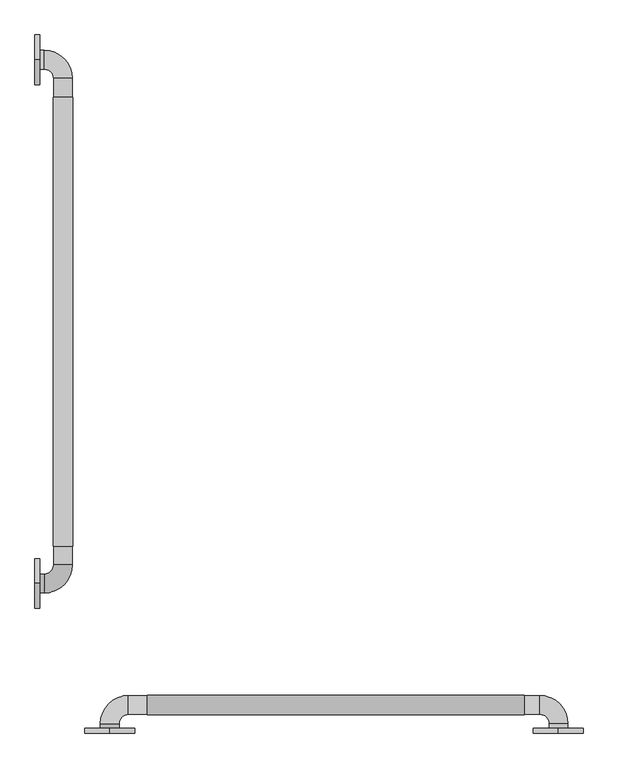
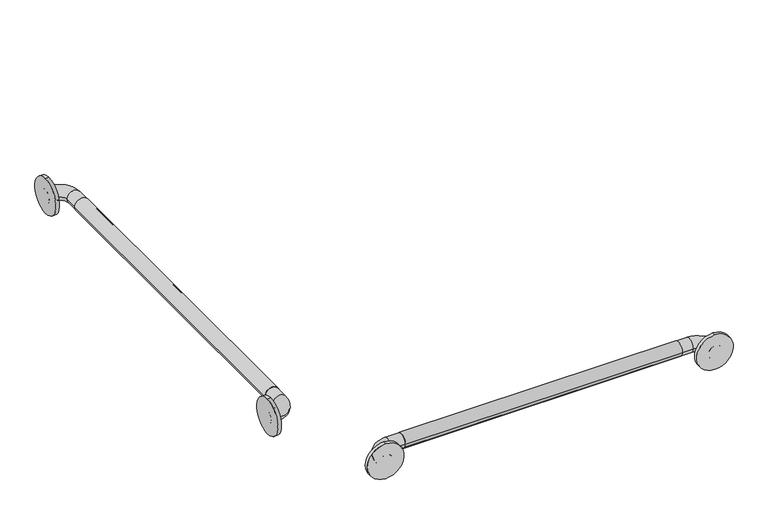
"""IFC4 building model written with IfcOpenShell, lengths in millimetres: proxy geometry."""

from ifc_helpers import new_model, si_unit, point, frame, frame_2d, origin, place, context, project, spatial, circle_curve, ellipse_curve, trimmed, segment, composite_curve, outline, extrude, source, transform, mapped, element, save
from ifc_brep_helpers import plane_surface, cylinder_surface, revolved_surface, advanced_brep


def generic_models_cf86f2b8(model_context):
    return source(origin(), model_context, "Body", "SolidModel", [
        extrude(outline(composite_curve([segment(trimmed(circle_curve(frame_2d((889.0, 57.15)), 19.84375), [point((889.0, 76.99375))], [point((889.0, 37.30625))], False, "CARTESIAN"), True, "CONTINUOUS"), segment(trimmed(circle_curve(frame_2d((889.0, 57.15)), 19.84375), [point((889.0, 37.30625))], [point((889.0, 76.99375))], False, "CARTESIAN"), True, "CONTINUOUS")], self_intersect=False)), frame((0.0, 457.2, 0.0), z_axis=(0.0, 1.0, 0.0), x_axis=(0.0, 0.0, 1.0)), (0.0, 0.0, 1.0), 914.4),
        extrude(outline(composite_curve([segment(trimmed(circle_curve(frame_2d((132.994073, 889.0)), 19.84375), [point((113.150323, 889.0))], [point((152.837823, 889.0))], False, "CARTESIAN"), True, "CONTINUOUS"), segment(trimmed(circle_curve(frame_2d((132.994073, 889.0)), 19.84375), [point((152.837823, 889.0))], [point((113.150323, 889.0))], False, "CARTESIAN"), True, "CONTINUOUS")], self_intersect=False)), frame((228.6, 0.0, 0.0), z_axis=(1.0, 0.0, 0.0), x_axis=(0.0, 1.0, 0.0)), (0.0, 0.0, 1.0), 768.35),
        extrude(outline(composite_curve([segment(trimmed(circle_curve(frame_2d((889.0, 1065.9492842)), 50.8), [point((838.2, 1065.9492842))], [point((939.8, 1065.9492842))], False, "CARTESIAN"), True, "CONTINUOUS"), segment(trimmed(circle_curve(frame_2d((889.0, 1065.9492842)), 50.8), [point((939.8, 1065.9492842))], [point((838.2, 1065.9492842))], False, "CARTESIAN"), True, "CONTINUOUS")], self_intersect=False)), frame((0.0, 76.2, 0.0), z_axis=(0.0, 1.0, 0.0), x_axis=(0.0, 0.0, 1.0)), (0.0, 0.0, 1.0), 9.525),
        extrude(outline(composite_curve([segment(trimmed(circle_curve(frame_2d((889.0, 152.4)), 50.8), [point((838.2, 152.4))], [point((939.8, 152.4))], False, "CARTESIAN"), True, "CONTINUOUS"), segment(trimmed(circle_curve(frame_2d((889.0, 152.4)), 50.8), [point((939.8, 152.4))], [point((838.2, 152.4))], False, "CARTESIAN"), True, "CONTINUOUS")], self_intersect=False)), frame((0.0, 76.2, 0.0), z_axis=(0.0, 1.0, 0.0), x_axis=(0.0, 0.0, 1.0)), (0.0, 0.0, 1.0), 9.525),
        extrude(outline(composite_curve([segment(trimmed(circle_curve(frame_2d((381.0, 889.0)), 50.8), [point((381.0, 838.2))], [point((381.0, 939.8))], False, "CARTESIAN"), True, "CONTINUOUS"), segment(trimmed(circle_curve(frame_2d((381.0, 889.0)), 50.8), [point((381.0, 939.8))], [point((381.0, 838.2))], False, "CARTESIAN"), True, "CONTINUOUS")], self_intersect=False)), frame((0.0, 0.0, 0.0), z_axis=(1.0, 0.0, 0.0), x_axis=(0.0, 1.0, 0.0)), (0.0, 0.0, 1.0), 9.525),
        extrude(outline(composite_curve([segment(trimmed(circle_curve(frame_2d((1447.8, 889.0)), 50.8), [point((1447.8, 838.2))], [point((1447.8, 939.8))], False, "CARTESIAN"), True, "CONTINUOUS"), segment(trimmed(circle_curve(frame_2d((1447.8, 889.0)), 50.8), [point((1447.8, 939.8))], [point((1447.8, 838.2))], False, "CARTESIAN"), True, "CONTINUOUS")], self_intersect=False)), frame((0.0, 0.0, 0.0), z_axis=(1.0, 0.0, 0.0), x_axis=(0.0, 1.0, 0.0)), (0.0, 0.0, 1.0), 9.525),
        advanced_brep(
        [(1085.85, 76.2, 889.0), (1047.75, 76.2, 889.0), (1085.85, 95.25, 889.0), (1047.75, 95.25, 889.0), (1028.7, 114.3, 889.0), (1028.7, 152.4, 889.0), (190.5, 152.4, 889.0), (190.5, 114.3, 889.0), (171.45, 95.25, 889.0), (133.35, 95.25, 889.0), (133.35, 76.2, 889.0), (171.45, 76.2, 889.0)],
        [
            (0, 1, circle_curve(frame((1066.8, 76.2, 889.0), z_axis=(0.0, -1.0, 0.0), x_axis=(-1.0, 0.0, 0.0)), 19.05)),
            (1, 0, circle_curve(frame((1066.8, 76.2, 889.0), z_axis=(0.0, -1.0, 0.0), x_axis=(-1.0, 0.0, 0.0)), 19.05)),
            (0, 2),
            (2, 3, circle_curve(frame((1066.8, 95.25, 889.0), z_axis=(0.0, -1.0, 0.0), x_axis=(-1.0, 0.0, 0.0)), 19.05)),
            (3, 1),
            (3, 2, circle_curve(frame((1066.8, 95.25, 889.0), z_axis=(0.0, -1.0, 0.0), x_axis=(-1.0, 0.0, 0.0)), 19.05)),
            (4, 3, circle_curve(frame((1028.7, 95.25, 889.0), z_axis=(0.0, 0.0, -1.0), x_axis=(1.0, 0.0, 0.0)), 19.05)),
            (2, 5, circle_curve(frame((1028.7, 95.25, 889.0), z_axis=(0.0, 0.0, 1.0), x_axis=(1.0, 0.0, 0.0)), 57.15)),
            (5, 4, circle_curve(frame((1028.7, 133.35, 889.0), z_axis=(1.0, 0.0, 0.0), x_axis=(0.0, -1.0, 0.0)), 19.05)),
            (4, 5, circle_curve(frame((1028.7, 133.35, 889.0), z_axis=(1.0, 0.0, 0.0), x_axis=(0.0, -1.0, 0.0)), 19.05)),
            (5, 6),
            (6, 7, circle_curve(frame((190.5, 133.35, 889.0), z_axis=(1.0, 0.0, 0.0), x_axis=(0.0, -1.0, 0.0)), 19.05)),
            (7, 4),
            (7, 6, circle_curve(frame((190.5, 133.35, 889.0), z_axis=(1.0, 0.0, 0.0), x_axis=(0.0, -1.0, 0.0)), 19.05)),
            (8, 7, circle_curve(frame((190.5, 95.25, 889.0), z_axis=(0.0, 0.0, -1.0), x_axis=(0.0, 1.0, 0.0)), 19.05)),
            (6, 9, circle_curve(frame((190.5, 95.25, 889.0), z_axis=(0.0, 0.0, 1.0), x_axis=(0.0, 1.0, 0.0)), 57.15)),
            (9, 8, circle_curve(frame((152.4, 95.25, 889.0), z_axis=(0.0, 1.0, 0.0), x_axis=(1.0, 0.0, 0.0)), 19.05)),
            (8, 9, circle_curve(frame((152.4, 95.25, 889.0), z_axis=(0.0, 1.0, 0.0), x_axis=(1.0, 0.0, 0.0)), 19.05)),
            (10, 11, circle_curve(frame((152.4, 76.2, 889.0), z_axis=(0.0, -1.0, 0.0), x_axis=(1.0, 0.0, 0.0)), 19.05)),
            (11, 10, circle_curve(frame((152.4, 76.2, 889.0), z_axis=(0.0, -1.0, 0.0), x_axis=(1.0, 0.0, 0.0)), 19.05)),
            (9, 10),
            (11, 8),
        ],
        [
            plane_surface(frame((1066.8, 76.2, 889.0), z_axis=(0.0, -1.0, 0.0), x_axis=(0.0, 0.0, 1.0))),
            cylinder_surface(frame((1066.8, 76.2, 889.0), z_axis=(0.0, -1.0, 0.0), x_axis=(-1.0, 0.0, 0.0)), 19.05),
            revolved_surface(trimmed(ellipse_curve(frame((1066.8, 95.25, 889.0), z_axis=(0.0, -1.0, 0.0), x_axis=(-1.0, 0.0, 0.0)), 19.05, 19.05), [point((1085.85, 95.25, 889.0))], [point((1047.75, 95.25, 889.0))], True, "CARTESIAN"), (1028.7, 95.25, 889.0), (0.0, 0.0, 1.0)),
            revolved_surface(trimmed(ellipse_curve(frame((1066.8, 95.25, 889.0), z_axis=(0.0, -1.0, 0.0), x_axis=(-1.0, 0.0, 0.0)), 19.05, 19.05), [point((1047.75, 95.25, 889.0))], [point((1085.85, 95.25, 889.0))], True, "CARTESIAN"), (1028.7, 95.25, 889.0), (0.0, 0.0, 1.0)),
            cylinder_surface(frame((1028.7, 133.35, 889.0), z_axis=(1.0, 0.0, 0.0), x_axis=(0.0, -1.0, 0.0)), 19.05),
            revolved_surface(trimmed(ellipse_curve(frame((190.5, 133.35, 889.0), z_axis=(1.0, 0.0, 0.0), x_axis=(0.0, -1.0, 0.0)), 19.05, 19.05), [point((190.5, 152.4, 889.0))], [point((190.5, 114.3, 889.0))], True, "CARTESIAN"), (190.5, 95.25, 889.0), (0.0, 0.0, 1.0)),
            revolved_surface(trimmed(ellipse_curve(frame((190.5, 133.35, 889.0), z_axis=(1.0, 0.0, 0.0), x_axis=(0.0, -1.0, 0.0)), 19.05, 19.05), [point((190.5, 114.3, 889.0))], [point((190.5, 152.4, 889.0))], True, "CARTESIAN"), (190.5, 95.25, 889.0), (0.0, 0.0, 1.0)),
            plane_surface(frame((152.4, 76.2, 889.0), z_axis=(0.0, -1.0, 0.0), x_axis=(0.0, 0.0, 1.0))),
            cylinder_surface(frame((152.4, 95.25, 889.0), z_axis=(0.0, 1.0, 0.0), x_axis=(1.0, 0.0, 0.0)), 19.05),
        ],
        [
            (0, [[1, 2]]),
            (1, [[-1, 3, 4, 5]]),
            (1, [[-2, -5, 6, -3]]),
            (2, [[7, -4, 8, 9]]),
            (3, [[-8, -6, -7, 10]]),
            (4, [[-9, 11, 12, 13]]),
            (4, [[-10, -13, 14, -11]]),
            (5, [[15, -12, 16, 17]]),
            (6, [[-16, -14, -15, 18]]),
            (7, [[19, 20]]),
            (8, [[-17, 21, -20, 22]]),
            (8, [[-18, -22, -19, -21]]),
        ],
    ),
        advanced_brep(
        [(0.0, 361.95, 889.0), (0.0, 400.05, 889.0), (19.05, 361.95, 889.0), (19.05, 400.05, 889.0), (38.1, 419.1, 889.0), (76.2, 419.1, 889.0), (76.2, 1409.7, 889.0), (38.1, 1409.7, 889.0), (19.05, 1428.75, 889.0), (19.05, 1466.85, 889.0), (0.0, 1466.85, 889.0), (0.0, 1428.75, 889.0)],
        [
            (0, 1, circle_curve(frame((0.0, 381.0, 889.0), z_axis=(-1.0, 0.0, 0.0), x_axis=(0.0, 1.0, 0.0)), 19.05)),
            (1, 0, circle_curve(frame((0.0, 381.0, 889.0), z_axis=(-1.0, 0.0, 0.0), x_axis=(0.0, 1.0, 0.0)), 19.05)),
            (0, 2),
            (2, 3, circle_curve(frame((19.05, 381.0, 889.0), z_axis=(-1.0, 0.0, 0.0), x_axis=(0.0, 1.0, 0.0)), 19.05)),
            (3, 1),
            (3, 2, circle_curve(frame((19.05, 381.0, 889.0), z_axis=(-1.0, 0.0, 0.0), x_axis=(0.0, 1.0, 0.0)), 19.05)),
            (4, 3, circle_curve(frame((19.05, 419.1, 889.0), z_axis=(0.0, 0.0, -1.0), x_axis=(0.0, -1.0, 0.0)), 19.05)),
            (2, 5, circle_curve(frame((19.05, 419.1, 889.0), z_axis=(0.0, 0.0, 1.0), x_axis=(0.0, -1.0, 0.0)), 57.15)),
            (5, 4, circle_curve(frame((57.15, 419.1, 889.0), z_axis=(0.0, -1.0, 0.0), x_axis=(-1.0, 0.0, 0.0)), 19.05)),
            (4, 5, circle_curve(frame((57.15, 419.1, 889.0), z_axis=(0.0, -1.0, 0.0), x_axis=(-1.0, 0.0, 0.0)), 19.05)),
            (5, 6),
            (6, 7, circle_curve(frame((57.15, 1409.7, 889.0), z_axis=(0.0, -1.0, 0.0), x_axis=(-1.0, 0.0, 0.0)), 19.05)),
            (7, 4),
            (7, 6, circle_curve(frame((57.15, 1409.7, 889.0), z_axis=(0.0, -1.0, 0.0), x_axis=(-1.0, 0.0, 0.0)), 19.05)),
            (8, 7, circle_curve(frame((19.05, 1409.7, 889.0), z_axis=(0.0, 0.0, -1.0), x_axis=(1.0, 0.0, 0.0)), 19.05)),
            (6, 9, circle_curve(frame((19.05, 1409.7, 889.0), z_axis=(0.0, 0.0, 1.0), x_axis=(1.0, 0.0, 0.0)), 57.15)),
            (9, 8, circle_curve(frame((19.05, 1447.8, 889.0), z_axis=(1.0, 0.0, 0.0), x_axis=(0.0, -1.0, 0.0)), 19.05)),
            (8, 9, circle_curve(frame((19.05, 1447.8, 889.0), z_axis=(1.0, 0.0, 0.0), x_axis=(0.0, -1.0, 0.0)), 19.05)),
            (10, 11, circle_curve(frame((0.0, 1447.8, 889.0), z_axis=(-1.0, 0.0, 0.0), x_axis=(0.0, -1.0, 0.0)), 19.05)),
            (11, 10, circle_curve(frame((0.0, 1447.8, 889.0), z_axis=(-1.0, 0.0, 0.0), x_axis=(0.0, -1.0, 0.0)), 19.05)),
            (9, 10),
            (11, 8),
        ],
        [
            plane_surface(frame((0.0, 381.0, 889.0), z_axis=(-1.0, 0.0, 0.0), x_axis=(0.0, 0.0, 1.0))),
            cylinder_surface(frame((0.0, 381.0, 889.0), z_axis=(-1.0, 0.0, 0.0), x_axis=(0.0, 1.0, 0.0)), 19.05),
            revolved_surface(trimmed(ellipse_curve(frame((19.05, 381.0, 889.0), z_axis=(-1.0, 0.0, 0.0), x_axis=(0.0, 1.0, 0.0)), 19.05, 19.05), [point((19.05, 361.95, 889.0))], [point((19.05, 400.05, 889.0))], True, "CARTESIAN"), (19.05, 419.1, 889.0), (0.0, 0.0, 1.0)),
            revolved_surface(trimmed(ellipse_curve(frame((19.05, 381.0, 889.0), z_axis=(-1.0, 0.0, 0.0), x_axis=(0.0, 1.0, 0.0)), 19.05, 19.05), [point((19.05, 400.05, 889.0))], [point((19.05, 361.95, 889.0))], True, "CARTESIAN"), (19.05, 419.1, 889.0), (0.0, 0.0, 1.0)),
            cylinder_surface(frame((57.15, 419.1, 889.0), z_axis=(0.0, -1.0, 0.0), x_axis=(-1.0, 0.0, 0.0)), 19.05),
            revolved_surface(trimmed(ellipse_curve(frame((57.15, 1409.7, 889.0), z_axis=(0.0, -1.0, 0.0), x_axis=(-1.0, 0.0, 0.0)), 19.05, 19.05), [point((76.2, 1409.7, 889.0))], [point((38.1, 1409.7, 889.0))], True, "CARTESIAN"), (19.05, 1409.7, 889.0), (0.0, 0.0, 1.0)),
            revolved_surface(trimmed(ellipse_curve(frame((57.15, 1409.7, 889.0), z_axis=(0.0, -1.0, 0.0), x_axis=(-1.0, 0.0, 0.0)), 19.05, 19.05), [point((38.1, 1409.7, 889.0))], [point((76.2, 1409.7, 889.0))], True, "CARTESIAN"), (19.05, 1409.7, 889.0), (0.0, 0.0, 1.0)),
            plane_surface(frame((0.0, 1447.8, 889.0), z_axis=(-1.0, 0.0, 0.0), x_axis=(0.0, 0.0, 1.0))),
            cylinder_surface(frame((19.05, 1447.8, 889.0), z_axis=(1.0, 0.0, 0.0), x_axis=(0.0, -1.0, 0.0)), 19.05),
        ],
        [
            (0, [[1, 2]]),
            (1, [[-1, 3, 4, 5]]),
            (1, [[-2, -5, 6, -3]]),
            (2, [[7, -4, 8, 9]]),
            (3, [[-8, -6, -7, 10]]),
            (4, [[-9, 11, 12, 13]]),
            (4, [[-10, -13, 14, -11]]),
            (5, [[15, -12, 16, 17]]),
            (6, [[-16, -14, -15, 18]]),
            (7, [[19, 20]]),
            (8, [[-17, 21, -20, 22]]),
            (8, [[-18, -22, -19, -21]]),
        ],
    ),
    ])


if __name__ == "__main__":
    model = new_model("IFC4")
    model_context = context("Model", 3, world=origin())
    ifc_project = project(units=[si_unit("LENGTHUNIT", "METRE", prefix="MILLI")], contexts=[model_context])
    site = spatial("IfcSite", under=ifc_project)
    building = spatial("IfcBuilding", under=site)
    placement = place(None, origin())
    generic_models_shape = generic_models_cf86f2b8(model_context)
    element("IfcBuildingElementProxy", 1, Name="Generic Models", at=placement, inside=building, context=model_context, shape_type="MappedRepresentation", body=[
        mapped(generic_models_shape, transform((0.0, 0.0, 0.0), x_axis=(1.0, 0.0, 0.0), y_axis=(0.0, 1.0, 0.0), z_axis=(0.0, 0.0, 1.0))),
    ])
    save(model, "model.ifc")
